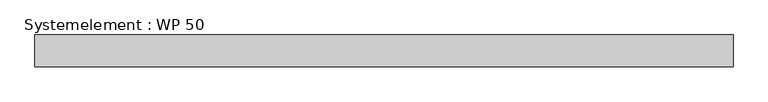
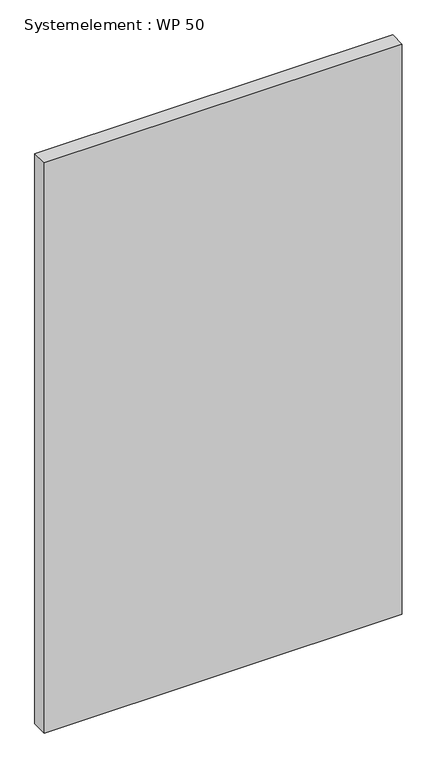
"""IFC4 building model written with IfcOpenShell, lengths in millimetres: plate geometry, Systemelement : WP 50."""

from ifc_helpers import new_model, si_unit, origin, origin_with_axes, place, context, project, spatial, polyline, outline, extrude, source, transform, mapped, element, save


def systemelement_wp_50_058bd575(model_context):
    return source(origin(), model_context, "Body", "SweptSolid", [
        extrude(outline(polyline([(550.0, -50.0), (-550.0, -50.0), (-550.0, 0.0), (550.0, 0.0), (550.0, -50.0)])), origin_with_axes(), (0.0, 0.0, 1.0), 1851.6147161),
    ])


if __name__ == "__main__":
    model = new_model("IFC4")
    model_context = context("Model", 3, world=origin())
    ifc_project = project(units=[si_unit("LENGTHUNIT", "METRE", prefix="MILLI")], contexts=[model_context])
    site = spatial("IfcSite", under=ifc_project)
    building = spatial("IfcBuilding", under=site)
    placement = place(None, origin())
    systemelement_wp_50_shape = systemelement_wp_50_058bd575(model_context)
    element("IfcPlate", 1, ObjectType="Systemelement : WP 50", at=placement, inside=building, context=model_context, shape_type="MappedRepresentation", body=[
        mapped(systemelement_wp_50_shape, transform((0.0, 0.0, 0.0), x_axis=(1.0, 0.0, 0.0), y_axis=(0.0, 1.0, 0.0), z_axis=(0.0, 0.0, 1.0))),
    ])
    save(model, "model.ifc")
